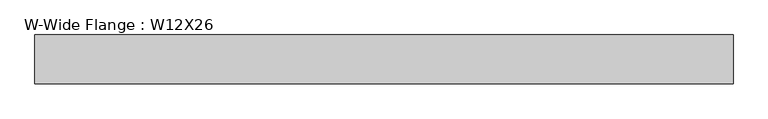
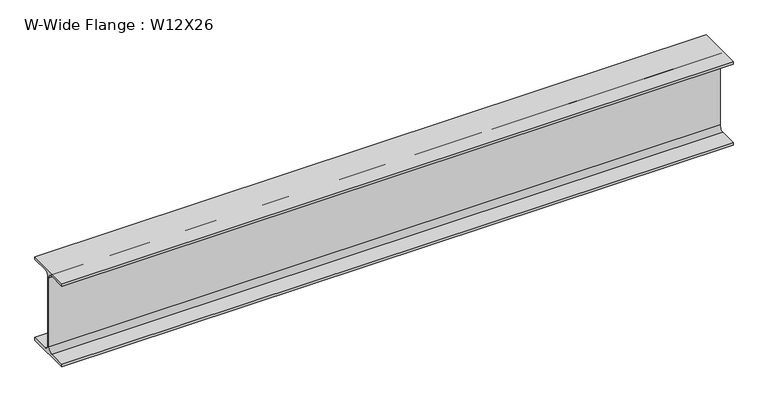
"""IFC4 building model written with IfcOpenShell, lengths in millimetres: beam geometry, W-Wide Flange : W12X26."""

import ifcopenshell
import ifcopenshell.guid

model = None  # the IFC model being written
_history = None  # IfcOwnerHistory: only IFC2X3 demands one
_inside = {}  # id of a spatial element -> (the spatial element, [elements in it])
_under = {}  # id of a project, library or spatial element -> (it, [spatial elements below it])
_declared = {}  # id of a project -> (the project, [libraries it declares])
_typed = {}  # id of a type object -> (the type object, [elements of that type])
_made_of = {}  # id of a material, layer set ... -> (it, [elements and type objects made of it])


def new_model(schema):
    """Start an empty IFC model of exactly this schema.

    Asked for "IFC4X3", IfcOpenShell would pick the latest addendum, in which some entities
    have other attributes; the version numbers below select the first issue.
    IFC2X3 requires an IfcOwnerHistory on every rooted entity: one is made here for all.
    """
    global model, _history
    if schema == "IFC4X3":
        model = ifcopenshell.file(schema_version=(4, 3, 0, 0))
    else:
        model = ifcopenshell.file(schema=schema)
    _inside.clear()
    _under.clear()
    _declared.clear()
    _typed.clear()
    _made_of.clear()
    _history = None
    if model.schema == "IFC2X3":
        org = make("IfcOrganization", Name="unknown")
        user = make(
            "IfcPersonAndOrganization",
            ThePerson=make("IfcPerson", FamilyName="unknown"),
            TheOrganization=org,
        )
        app = make(
            "IfcApplication",
            ApplicationDeveloper=org,
            Version="unknown",
            ApplicationFullName="unknown",
            ApplicationIdentifier="unknown",
        )
        _history = make(
            "IfcOwnerHistory",
            OwningUser=user,
            OwningApplication=app,
            ChangeAction="ADDED",
            CreationDate=0,
        )
    return model


def make(cls, **values):
    """One entity of the class cls with the attributes given. An attribute that is None is left unset."""
    return model.create_entity(
        cls, **{name: value for name, value in values.items() if value is not None}
    )


def rooted(cls, **values):
    """An entity with a GlobalId (a new one), such as an element, a storey or a relation."""
    return make(cls, GlobalId=ifcopenshell.guid.new(), OwnerHistory=_history, **values)


def si_unit(unit_type, name, prefix=None):
    """IfcSIUnit, for example si_unit("LENGTHUNIT", "METRE", prefix="MILLI")."""
    return make("IfcSIUnit", UnitType=unit_type, Prefix=prefix, Name=name)


def assignment(units):
    """IfcUnitAssignment: the units of a project."""
    return None if units is None else make("IfcUnitAssignment", Units=units)


def point(xyz):
    """IfcCartesianPoint."""
    return None if xyz is None else make("IfcCartesianPoint", Coordinates=xyz)


def direction(xyz):
    """IfcDirection."""
    return None if xyz is None else make("IfcDirection", DirectionRatios=xyz)


def frame(location, z_axis=None, x_axis=None):
    """IfcAxis2Placement3D, a coordinate frame: its origin and axes. An axis left out is left unset."""
    return make(
        "IfcAxis2Placement3D",
        Location=point(location),
        Axis=direction(z_axis),
        RefDirection=direction(x_axis),
    )


def frame_2d(location, x_axis=None):
    """IfcAxis2Placement2D, a coordinate frame in the plane: its origin and x axis."""
    return make(
        "IfcAxis2Placement2D", Location=point(location), RefDirection=direction(x_axis)
    )


def origin():
    """The frame at (0, 0, 0) with its axes left unset."""
    return frame((0.0, 0.0, 0.0))


def place(relative_to, where):
    """IfcLocalPlacement: puts the frame where relative to a parent placement (None: the world)."""
    return make(
        "IfcLocalPlacement", PlacementRelTo=relative_to, RelativePlacement=where
    )


def context(
    kind, dimensions, precision=None, world=None, true_north=None, identifier=None
):
    """IfcGeometricRepresentationContext, for example the 3D "Model" context."""
    return make(
        "IfcGeometricRepresentationContext",
        ContextIdentifier=identifier,
        ContextType=kind,
        CoordinateSpaceDimension=dimensions,
        Precision=precision,
        WorldCoordinateSystem=world,
        TrueNorth=true_north,
    )


def project(units=None, contexts=None):
    """IfcProject with its units and contexts."""
    return rooted(
        "IfcProject",
        Name="project",
        RepresentationContexts=contexts,
        UnitsInContext=assignment(units),
    )


def spatial(cls, under=None, at=None, **own):
    """A site, building, storey or space (cls), placed at a placement, below another one or the project."""
    s = rooted(cls, ObjectPlacement=at, **own)
    if under is not None:
        _under.setdefault(under.id(), (under, []))[1].append(s)
    return s


def polyline(points):
    """IfcPolyline through the points."""
    return make("IfcPolyline", Points=[point(p) for p in points])


def circle_curve(where, radius):
    """IfcCircle in the frame where."""
    return make("IfcCircle", Position=where, Radius=radius)


def trimmed(basis, trim1, trim2, sense, master):
    """IfcTrimmedCurve: the piece of a basis curve between two trims."""
    return make(
        "IfcTrimmedCurve",
        BasisCurve=basis,
        Trim1=trim1,
        Trim2=trim2,
        SenseAgreement=sense,
        MasterRepresentation=master,
    )


def segment(curve, same_sense, transition):
    """IfcCompositeCurveSegment."""
    return make(
        "IfcCompositeCurveSegment",
        Transition=transition,
        SameSense=same_sense,
        ParentCurve=curve,
    )


def composite_curve(segments, self_intersect=None):
    """IfcCompositeCurve: segments joined end to end."""
    return make("IfcCompositeCurve", Segments=segments, SelfIntersect=self_intersect)


def outline(outer, holes=None, kind="AREA"):
    """IfcArbitraryClosedProfileDef: a profile drawn as a closed curve; with holes, ...WithVoids."""
    if holes is None:
        return make("IfcArbitraryClosedProfileDef", ProfileType=kind, OuterCurve=outer)
    return make(
        "IfcArbitraryProfileDefWithVoids",
        ProfileType=kind,
        OuterCurve=outer,
        InnerCurves=holes,
    )


def extrude(swept, where, along, depth):
    """IfcExtrudedAreaSolid: the profile swept, set in the frame where, extruded along a direction by depth."""
    return make(
        "IfcExtrudedAreaSolid",
        SweptArea=swept,
        Position=where,
        ExtrudedDirection=direction(along),
        Depth=depth,
    )


def shape(context_of_items, identifier, shape_type, items):
    """IfcShapeRepresentation: the items that make up one representation, for example the "Body"."""
    return make(
        "IfcShapeRepresentation",
        ContextOfItems=context_of_items,
        RepresentationIdentifier=identifier,
        RepresentationType=shape_type,
        Items=items,
    )


def source(mapping_origin, context_of_items, identifier, shape_type, items):
    """IfcRepresentationMap: a shape defined once, which mapped items show again and again."""
    return make(
        "IfcRepresentationMap",
        MappingOrigin=mapping_origin,
        MappedRepresentation=shape(context_of_items, identifier, shape_type, items),
    )


def transform(
    local_origin,
    x_axis=None,
    y_axis=None,
    z_axis=None,
    scale=None,
    scale2=None,
    scale3=None,
    uniform=True,
):
    """IfcCartesianTransformationOperator3D, or its non-uniform kind. x_axis, y_axis, z_axis: its Axis1, 2, 3."""
    if uniform:
        return make(
            "IfcCartesianTransformationOperator3D",
            Axis1=direction(x_axis),
            Axis2=direction(y_axis),
            LocalOrigin=point(local_origin),
            Scale=scale,
            Axis3=direction(z_axis),
        )
    return make(
        "IfcCartesianTransformationOperator3DnonUniform",
        Axis1=direction(x_axis),
        Axis2=direction(y_axis),
        LocalOrigin=point(local_origin),
        Scale=scale,
        Axis3=direction(z_axis),
        Scale2=scale2,
        Scale3=scale3,
    )


def mapped(mapping_source, mapping_target):
    """IfcMappedItem: shows the shape of a source again, moved by a transform."""
    return make(
        "IfcMappedItem", MappingSource=mapping_source, MappingTarget=mapping_target
    )


def made_of(thing, what):
    """Note that an element or type object is made of a material, layer set ...; save() writes the relation."""
    if what is not None:
        _made_of.setdefault(what.id(), (what, []))[1].append(thing)
    return thing


def element(
    cls,
    number,
    at=None,
    inside=None,
    cuts=None,
    type_object=None,
    material=None,
    context=None,
    identifier="Body",
    shape_type=None,
    held_by="IfcProductDefinitionShape",
    body=None,
    shapes=None,
    **own,
):
    """One element of the class cls, such as IfcWall. Its Tag is "e" and its number.

    at: its placement. inside: the storey or other place that contains it. cuts: it is an
    opening in that element (IfcRelVoidsElement). A single representation is given by context,
    identifier, shape_type and body (its items); several are given by shapes. held_by: the class
    of the entity that holds the representations. save() writes the other relations.
    """
    e = rooted(cls, Tag="e%d" % number, ObjectPlacement=at, **own)
    if body is not None:
        shapes = [shape(context, identifier, shape_type, body)]
    if shapes is not None:
        e.Representation = make(held_by, Representations=shapes)
    if inside is not None:
        _inside.setdefault(inside.id(), (inside, []))[1].append(e)
    if cuts is not None:
        rooted(
            "IfcRelVoidsElement", RelatingBuildingElement=cuts, RelatedOpeningElement=e
        )
    if type_object is not None:
        _typed.setdefault(type_object.id(), (type_object, []))[1].append(e)
    return made_of(e, material)


def aggregate(whole, parts):
    """IfcRelAggregates: a whole, such as a stair, and the parts it consists of."""
    return rooted("IfcRelAggregates", RelatingObject=whole, RelatedObjects=parts)


def save(model, path):
    """Write the relations noted so far, then the file.

    IfcRelAggregates (storeys below a building ...), IfcRelContainedInSpatialStructure (elements
    in a storey), IfcRelDefinesByType, IfcRelAssociatesMaterial and IfcRelDeclares: one each for
    every whole, place, type object, material and project.
    """
    for whole, parts in _under.values():
        aggregate(whole, parts)
    for where, things in _inside.values():
        rooted(
            "IfcRelContainedInSpatialStructure",
            RelatedElements=things,
            RelatingStructure=where,
        )
    for kind, things in _typed.values():
        rooted("IfcRelDefinesByType", RelatedObjects=things, RelatingType=kind)
    for what, things in _made_of.values():
        rooted("IfcRelAssociatesMaterial", RelatedObjects=things, RelatingMaterial=what)
    for by, libraries in _declared.values():
        rooted("IfcRelDeclares", RelatingContext=by, RelatedDefinitions=libraries)
    model.write(path)


def w_wide_flange_w12x26_21e82e4d(model_context):
    return source(origin(), model_context, "Body", "SweptSolid", [
        extrude(outline(composite_curve([segment(polyline([(82.4011719, -145.5539063), (82.4011719, -155.178125), (-82.4011719, -155.178125), (-82.4011719, -145.5539063), (-20.2902344, -145.5539063)]), True, "CONTINUOUS"), segment(trimmed(circle_curve(frame_2d((-20.2902344, -128.190625)), 17.3632812), [point((-20.2902344, -145.5539063))], [point((-2.9269531, -128.190625))], True, "CARTESIAN"), True, "CONTINUOUS"), segment(polyline([(-2.9269531, -128.190625), (-2.9269531, 128.190625)]), True, "CONTINUOUS"), segment(trimmed(circle_curve(frame_2d((-20.2902344, 128.190625)), 17.3632812), [point((-2.9269531, 128.190625))], [point((-20.2902344, 145.5539062))], True, "CARTESIAN"), True, "CONTINUOUS"), segment(polyline([(-20.2902344, 145.5539062), (-82.4011719, 145.5539062), (-82.4011719, 155.178125), (82.4011719, 155.178125), (82.4011719, 145.5539062), (20.2902344, 145.5539062)]), True, "CONTINUOUS"), segment(trimmed(circle_curve(frame_2d((20.2902344, 128.190625)), 17.3632812), [point((20.2902344, 145.5539062))], [point((2.9269531, 128.190625))], True, "CARTESIAN"), True, "CONTINUOUS"), segment(polyline([(2.9269531, 128.190625), (2.9269531, -128.190625)]), True, "CONTINUOUS"), segment(trimmed(circle_curve(frame_2d((20.2902344, -128.190625)), 17.3632812), [point((2.9269531, -128.190625))], [point((20.2902344, -145.5539063))], True, "CARTESIAN"), True, "CONTINUOUS"), segment(polyline([(20.2902344, -145.5539063), (82.4011719, -145.5539063)]), True, "CONTINUOUS")], self_intersect=False)), frame((-1178.9419922, 0.0, 0.0), z_axis=(1.0, 0.0, 0.0), x_axis=(0.0, 1.0, 0.0)), (0.0, 0.0, 1.0), 2362.2),
    ])


if __name__ == "__main__":
    model = new_model("IFC4")
    model_context = context("Model", 3, world=origin())
    ifc_project = project(units=[si_unit("LENGTHUNIT", "METRE", prefix="MILLI")], contexts=[model_context])
    site = spatial("IfcSite", under=ifc_project)
    building = spatial("IfcBuilding", under=site)
    placement = place(None, origin())
    w_wide_flange_w12x26_shape = w_wide_flange_w12x26_21e82e4d(model_context)
    element("IfcBeam", 1, ObjectType="W-Wide Flange : W12X26", at=placement, inside=building, context=model_context, shape_type="MappedRepresentation", body=[
        mapped(w_wide_flange_w12x26_shape, transform((0.0, 0.0, 0.0), x_axis=(1.0, 0.0, 0.0), y_axis=(0.0, 1.0, 0.0), z_axis=(0.0, 0.0, 1.0))),
    ])
    save(model, "model.ifc")
